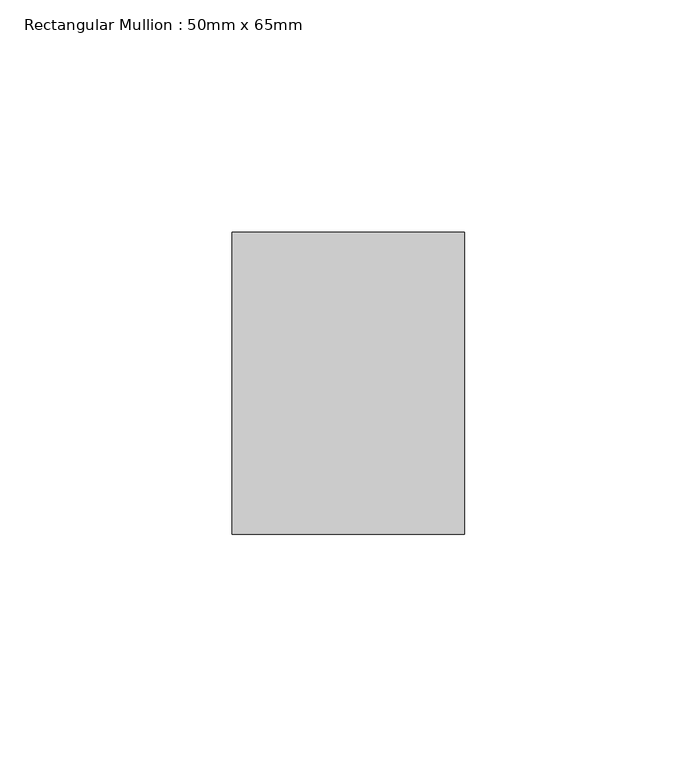
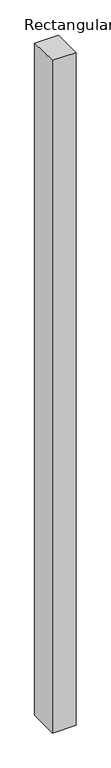
"""IFC4 building model written with IfcOpenShell, lengths in millimetres: member geometry, Rectangular Mullion : 50mm x 65mm."""

import ifcopenshell
import ifcopenshell.guid

model = None  # the IFC model being written
_history = None  # IfcOwnerHistory: only IFC2X3 demands one
_inside = {}  # id of a spatial element -> (the spatial element, [elements in it])
_under = {}  # id of a project, library or spatial element -> (it, [spatial elements below it])
_declared = {}  # id of a project -> (the project, [libraries it declares])
_typed = {}  # id of a type object -> (the type object, [elements of that type])
_made_of = {}  # id of a material, layer set ... -> (it, [elements and type objects made of it])


def new_model(schema):
    """Start an empty IFC model of exactly this schema.

    Asked for "IFC4X3", IfcOpenShell would pick the latest addendum, in which some entities
    have other attributes; the version numbers below select the first issue.
    IFC2X3 requires an IfcOwnerHistory on every rooted entity: one is made here for all.
    """
    global model, _history
    if schema == "IFC4X3":
        model = ifcopenshell.file(schema_version=(4, 3, 0, 0))
    else:
        model = ifcopenshell.file(schema=schema)
    _inside.clear()
    _under.clear()
    _declared.clear()
    _typed.clear()
    _made_of.clear()
    _history = None
    if model.schema == "IFC2X3":
        org = make("IfcOrganization", Name="unknown")
        user = make(
            "IfcPersonAndOrganization",
            ThePerson=make("IfcPerson", FamilyName="unknown"),
            TheOrganization=org,
        )
        app = make(
            "IfcApplication",
            ApplicationDeveloper=org,
            Version="unknown",
            ApplicationFullName="unknown",
            ApplicationIdentifier="unknown",
        )
        _history = make(
            "IfcOwnerHistory",
            OwningUser=user,
            OwningApplication=app,
            ChangeAction="ADDED",
            CreationDate=0,
        )
    return model


def make(cls, **values):
    """One entity of the class cls with the attributes given. An attribute that is None is left unset."""
    return model.create_entity(
        cls, **{name: value for name, value in values.items() if value is not None}
    )


def rooted(cls, **values):
    """An entity with a GlobalId (a new one), such as an element, a storey or a relation."""
    return make(cls, GlobalId=ifcopenshell.guid.new(), OwnerHistory=_history, **values)


def si_unit(unit_type, name, prefix=None):
    """IfcSIUnit, for example si_unit("LENGTHUNIT", "METRE", prefix="MILLI")."""
    return make("IfcSIUnit", UnitType=unit_type, Prefix=prefix, Name=name)


def assignment(units):
    """IfcUnitAssignment: the units of a project."""
    return None if units is None else make("IfcUnitAssignment", Units=units)


def point(xyz):
    """IfcCartesianPoint."""
    return None if xyz is None else make("IfcCartesianPoint", Coordinates=xyz)


def direction(xyz):
    """IfcDirection."""
    return None if xyz is None else make("IfcDirection", DirectionRatios=xyz)


def frame(location, z_axis=None, x_axis=None):
    """IfcAxis2Placement3D, a coordinate frame: its origin and axes. An axis left out is left unset."""
    return make(
        "IfcAxis2Placement3D",
        Location=point(location),
        Axis=direction(z_axis),
        RefDirection=direction(x_axis),
    )


def origin():
    """The frame at (0, 0, 0) with its axes left unset."""
    return frame((0.0, 0.0, 0.0))


def place(relative_to, where):
    """IfcLocalPlacement: puts the frame where relative to a parent placement (None: the world)."""
    return make(
        "IfcLocalPlacement", PlacementRelTo=relative_to, RelativePlacement=where
    )


def context(
    kind, dimensions, precision=None, world=None, true_north=None, identifier=None
):
    """IfcGeometricRepresentationContext, for example the 3D "Model" context."""
    return make(
        "IfcGeometricRepresentationContext",
        ContextIdentifier=identifier,
        ContextType=kind,
        CoordinateSpaceDimension=dimensions,
        Precision=precision,
        WorldCoordinateSystem=world,
        TrueNorth=true_north,
    )


def project(units=None, contexts=None):
    """IfcProject with its units and contexts."""
    return rooted(
        "IfcProject",
        Name="project",
        RepresentationContexts=contexts,
        UnitsInContext=assignment(units),
    )


def spatial(cls, under=None, at=None, **own):
    """A site, building, storey or space (cls), placed at a placement, below another one or the project."""
    s = rooted(cls, ObjectPlacement=at, **own)
    if under is not None:
        _under.setdefault(under.id(), (under, []))[1].append(s)
    return s


def faces_of(points, faces, orient=None, outer=None):
    """IfcFace entities. A face is a list of loops; a loop is a list of indices into points, from 0.

    orient and outer hold one flag for each loop. By default every Orientation is true, the
    first loop of a face is its IfcFaceOuterBound and the others are IfcFaceBound.
    """
    made = []
    for i, loops in enumerate(faces):
        bounds = []
        for j, loop in enumerate(loops):
            is_outer = j == 0 if outer is None else outer[i][j]
            bounds.append(
                make(
                    "IfcFaceOuterBound" if is_outer else "IfcFaceBound",
                    Bound=make("IfcPolyLoop", Polygon=[points[k] for k in loop]),
                    Orientation=True if orient is None else orient[i][j],
                )
            )
        made.append(make("IfcFace", Bounds=bounds))
    return made


def faceted_brep(points, faces, orient=None, outer=None, voids=None):
    """IfcFacetedBrep: a solid bounded by flat faces; with voids (closed shells), ...WithVoids."""
    shared = [point(p) for p in points]
    hull = make("IfcClosedShell", CfsFaces=faces_of(shared, faces, orient, outer))
    if voids is None:
        return make("IfcFacetedBrep", Outer=hull)
    return make(
        "IfcFacetedBrepWithVoids",
        Outer=hull,
        Voids=[
            make(cls, CfsFaces=faces_of(shared, fs, o, b)) for cls, fs, o, b in voids
        ],
    )


def shape(context_of_items, identifier, shape_type, items):
    """IfcShapeRepresentation: the items that make up one representation, for example the "Body"."""
    return make(
        "IfcShapeRepresentation",
        ContextOfItems=context_of_items,
        RepresentationIdentifier=identifier,
        RepresentationType=shape_type,
        Items=items,
    )


def source(mapping_origin, context_of_items, identifier, shape_type, items):
    """IfcRepresentationMap: a shape defined once, which mapped items show again and again."""
    return make(
        "IfcRepresentationMap",
        MappingOrigin=mapping_origin,
        MappedRepresentation=shape(context_of_items, identifier, shape_type, items),
    )


def transform(
    local_origin,
    x_axis=None,
    y_axis=None,
    z_axis=None,
    scale=None,
    scale2=None,
    scale3=None,
    uniform=True,
):
    """IfcCartesianTransformationOperator3D, or its non-uniform kind. x_axis, y_axis, z_axis: its Axis1, 2, 3."""
    if uniform:
        return make(
            "IfcCartesianTransformationOperator3D",
            Axis1=direction(x_axis),
            Axis2=direction(y_axis),
            LocalOrigin=point(local_origin),
            Scale=scale,
            Axis3=direction(z_axis),
        )
    return make(
        "IfcCartesianTransformationOperator3DnonUniform",
        Axis1=direction(x_axis),
        Axis2=direction(y_axis),
        LocalOrigin=point(local_origin),
        Scale=scale,
        Axis3=direction(z_axis),
        Scale2=scale2,
        Scale3=scale3,
    )


def mapped(mapping_source, mapping_target):
    """IfcMappedItem: shows the shape of a source again, moved by a transform."""
    return make(
        "IfcMappedItem", MappingSource=mapping_source, MappingTarget=mapping_target
    )


def made_of(thing, what):
    """Note that an element or type object is made of a material, layer set ...; save() writes the relation."""
    if what is not None:
        _made_of.setdefault(what.id(), (what, []))[1].append(thing)
    return thing


def element(
    cls,
    number,
    at=None,
    inside=None,
    cuts=None,
    type_object=None,
    material=None,
    context=None,
    identifier="Body",
    shape_type=None,
    held_by="IfcProductDefinitionShape",
    body=None,
    shapes=None,
    **own,
):
    """One element of the class cls, such as IfcWall. Its Tag is "e" and its number.

    at: its placement. inside: the storey or other place that contains it. cuts: it is an
    opening in that element (IfcRelVoidsElement). A single representation is given by context,
    identifier, shape_type and body (its items); several are given by shapes. held_by: the class
    of the entity that holds the representations. save() writes the other relations.
    """
    e = rooted(cls, Tag="e%d" % number, ObjectPlacement=at, **own)
    if body is not None:
        shapes = [shape(context, identifier, shape_type, body)]
    if shapes is not None:
        e.Representation = make(held_by, Representations=shapes)
    if inside is not None:
        _inside.setdefault(inside.id(), (inside, []))[1].append(e)
    if cuts is not None:
        rooted(
            "IfcRelVoidsElement", RelatingBuildingElement=cuts, RelatedOpeningElement=e
        )
    if type_object is not None:
        _typed.setdefault(type_object.id(), (type_object, []))[1].append(e)
    return made_of(e, material)


def aggregate(whole, parts):
    """IfcRelAggregates: a whole, such as a stair, and the parts it consists of."""
    return rooted("IfcRelAggregates", RelatingObject=whole, RelatedObjects=parts)


def save(model, path):
    """Write the relations noted so far, then the file.

    IfcRelAggregates (storeys below a building ...), IfcRelContainedInSpatialStructure (elements
    in a storey), IfcRelDefinesByType, IfcRelAssociatesMaterial and IfcRelDeclares: one each for
    every whole, place, type object, material and project.
    """
    for whole, parts in _under.values():
        aggregate(whole, parts)
    for where, things in _inside.values():
        rooted(
            "IfcRelContainedInSpatialStructure",
            RelatedElements=things,
            RelatingStructure=where,
        )
    for kind, things in _typed.values():
        rooted("IfcRelDefinesByType", RelatedObjects=things, RelatingType=kind)
    for what, things in _made_of.values():
        rooted("IfcRelAssociatesMaterial", RelatedObjects=things, RelatingMaterial=what)
    for by, libraries in _declared.values():
        rooted("IfcRelDeclares", RelatingContext=by, RelatedDefinitions=libraries)
    model.write(path)


def rectangular_mullion_50mm_x_65mm_fe41c267(model_context):
    return source(origin(), model_context, "Body", "Brep", [
        faceted_brep([(-25.0, 32.5, -0.3536695), (25.0, 32.5, -0.3536712), (25.0, 32.5, -1499.5481328), (-25.0, 32.5, -1499.548135), (-25.0, -32.5, 0.3536712), (-25.0, -32.5, -1500.4517645), (25.0, -32.5, 0.3536695), (25.0, -32.5, -1500.4517623)], [[[0, 1, 2, 3]], [[4, 0, 3, 5]], [[6, 4, 5, 7]], [[1, 6, 7, 2]], [[1, 0, 4, 6]], [[2, 7, 5, 3]]]),
    ])


if __name__ == "__main__":
    model = new_model("IFC4")
    model_context = context("Model", 3, world=origin())
    ifc_project = project(units=[si_unit("LENGTHUNIT", "METRE", prefix="MILLI")], contexts=[model_context])
    site = spatial("IfcSite", under=ifc_project)
    building = spatial("IfcBuilding", under=site)
    placement = place(None, origin())
    rectangular_mullion_50mm_x_65mm_shape = rectangular_mullion_50mm_x_65mm_fe41c267(model_context)
    element("IfcMember", 1, ObjectType="Rectangular Mullion : 50mm x 65mm", at=placement, inside=building, context=model_context, shape_type="MappedRepresentation", body=[
        mapped(rectangular_mullion_50mm_x_65mm_shape, transform((0.0, 0.0, 0.0), x_axis=(1.0, 0.0, 0.0), y_axis=(0.0, 1.0, 0.0), z_axis=(0.0, 0.0, 1.0))),
    ])
    save(model, "model.ifc")
